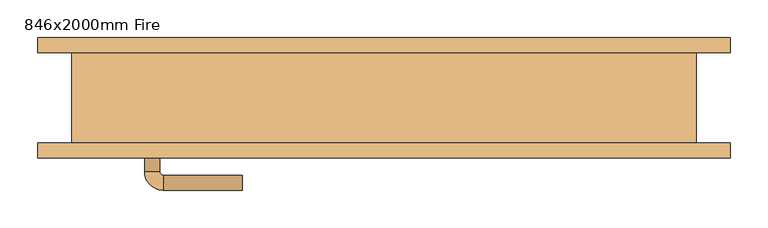
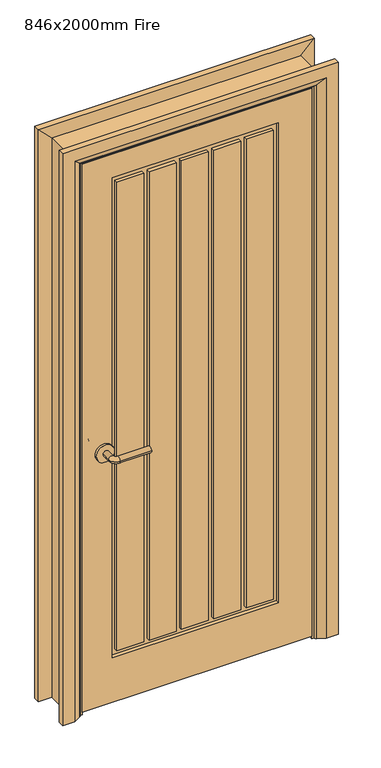
"""IFC4 building model written with IfcOpenShell, lengths in millimetres: door geometry, 846x2000mm Fire."""

from ifc_helpers import new_model, si_unit, point, frame, frame_2d, origin, place, context, project, spatial, polyline, circle_curve, ellipse_curve, trimmed, segment, composite_curve, outline, extrude, faceted_brep, source, transform, mapped, element, save
from ifc_brep_helpers import plane_surface, cylinder_surface, revolved_surface, advanced_brep


def door_846x2000mm_fire_3f507add(model_context):
    return source(origin(), model_context, "Body", "SolidModel", [
        advanced_brep(
        [(-318.0, -17.0, 900.0), (-298.0, -17.0, 900.0), (-318.0, 13.0, 900.0), (-298.0, 13.0, 900.0), (-293.0, 18.0, 900.0), (-293.0, 38.0, 900.0), (-188.0, 38.0, 900.0), (-188.0, 18.0, 900.0)],
        [
            (0, 1, circle_curve(frame((-308.0, -17.0, 900.0), z_axis=(0.0, -1.0, 0.0), x_axis=(1.0, 0.0, 0.0)), 10.0)),
            (1, 0, circle_curve(frame((-308.0, -17.0, 900.0), z_axis=(0.0, -1.0, 0.0), x_axis=(1.0, 0.0, 0.0)), 10.0)),
            (0, 2),
            (2, 3, circle_curve(frame((-308.0, 13.0, 900.0), z_axis=(0.0, -1.0, 0.0), x_axis=(1.0, 0.0, 0.0)), 10.0)),
            (3, 1),
            (3, 2, circle_curve(frame((-308.0, 13.0, 900.0), z_axis=(0.0, -1.0, 0.0), x_axis=(1.0, 0.0, 0.0)), 10.0)),
            (4, 3, circle_curve(frame((-293.0, 13.0, 900.0), z_axis=(0.0, 0.0, 1.0), x_axis=(-1.0, 0.0, 0.0)), 5.0)),
            (2, 5, circle_curve(frame((-293.0, 13.0, 900.0), z_axis=(0.0, 0.0, -1.0), x_axis=(-1.0, 0.0, 0.0)), 25.0)),
            (5, 4, circle_curve(frame((-293.0, 28.0, 900.0), z_axis=(-1.0, 0.0, 0.0), x_axis=(0.0, -1.0, 0.0)), 10.0)),
            (4, 5, circle_curve(frame((-293.0, 28.0, 900.0), z_axis=(-1.0, 0.0, 0.0), x_axis=(0.0, -1.0, 0.0)), 10.0)),
            (6, 7, circle_curve(frame((-188.0, 28.0, 900.0), z_axis=(1.0, 0.0, 0.0), x_axis=(0.0, -1.0, 0.0)), 10.0)),
            (7, 6, circle_curve(frame((-188.0, 28.0, 900.0), z_axis=(1.0, 0.0, 0.0), x_axis=(0.0, -1.0, 0.0)), 10.0)),
            (5, 6),
            (7, 4),
        ],
        [
            plane_surface(frame((-308.0, -17.0, 900.0), z_axis=(0.0, -1.0, 0.0), x_axis=(0.0, 0.0, 1.0))),
            cylinder_surface(frame((-308.0, -17.0, 900.0), z_axis=(0.0, -1.0, 0.0), x_axis=(1.0, 0.0, 0.0)), 10.0),
            revolved_surface(trimmed(ellipse_curve(frame((-308.0, 13.0, 900.0), z_axis=(0.0, -1.0, 0.0), x_axis=(1.0, 0.0, 0.0)), 10.0, 10.0), [point((-318.0, 13.0, 900.0))], [point((-298.0, 13.0, 900.0))], True, "CARTESIAN"), (-293.0, 13.0, 900.0), (0.0, 0.0, -1.0)),
            revolved_surface(trimmed(ellipse_curve(frame((-308.0, 13.0, 900.0), z_axis=(0.0, -1.0, 0.0), x_axis=(1.0, 0.0, 0.0)), 10.0, 10.0), [point((-298.0, 13.0, 900.0))], [point((-318.0, 13.0, 900.0))], True, "CARTESIAN"), (-293.0, 13.0, 900.0), (0.0, 0.0, -1.0)),
            plane_surface(frame((-188.0, 28.0, 900.0), z_axis=(1.0, 0.0, 0.0), x_axis=(0.0, 0.0, 1.0))),
            cylinder_surface(frame((-293.0, 28.0, 900.0), z_axis=(-1.0, 0.0, 0.0), x_axis=(0.0, -1.0, 0.0)), 10.0),
        ],
        [
            (0, [[1, 2]]),
            (1, [[-1, 3, 4, 5]]),
            (1, [[-2, -5, 6, -3]]),
            (2, [[7, -4, 8, 9]]),
            (3, [[-8, -6, -7, 10]]),
            (4, [[11, 12]]),
            (5, [[-9, 13, -12, 14]]),
            (5, [[-10, -14, -11, -13]]),
        ],
    ),
        extrude(outline(composite_curve([segment(trimmed(circle_curve(frame_2d((900.0, -310.5)), 30.0), [point((900.0, -340.5))], [point((900.0, -280.5))], False, "CARTESIAN"), True, "CONTINUOUS"), segment(trimmed(circle_curve(frame_2d((900.0, -310.5)), 30.0), [point((900.0, -280.5))], [point((900.0, -340.5))], False, "CARTESIAN"), True, "CONTINUOUS")], self_intersect=False)), frame((0.0, -25.0, 0.0), z_axis=(0.0, 1.0, 0.0), x_axis=(0.0, 0.0, 1.0)), (0.0, 0.0, 1.0), 8.0),
        advanced_brep(
        [(-318.0, -68.0, 900.0), (-298.0, -68.0, 900.0), (-298.0, -98.0, 900.0), (-318.0, -98.0, 900.0), (-293.0, -103.0, 900.0), (-293.0, -123.0, 900.0), (-188.0, -123.0, 900.0), (-188.0, -103.0, 900.0)],
        [
            (0, 1, circle_curve(frame((-308.0, -68.0, 900.0), z_axis=(0.0, 1.0, 0.0), x_axis=(1.0, 0.0, 0.0)), 10.0)),
            (1, 0, circle_curve(frame((-308.0, -68.0, 900.0), z_axis=(0.0, 1.0, 0.0), x_axis=(1.0, 0.0, 0.0)), 10.0)),
            (1, 2),
            (2, 3, circle_curve(frame((-308.0, -98.0, 900.0), z_axis=(0.0, 1.0, 0.0), x_axis=(1.0, 0.0, 0.0)), 10.0)),
            (3, 0),
            (3, 2, circle_curve(frame((-308.0, -98.0, 900.0), z_axis=(0.0, 1.0, 0.0), x_axis=(1.0, 0.0, 0.0)), 10.0)),
            (4, 5, circle_curve(frame((-293.0, -113.0, 900.0), z_axis=(-1.0, 0.0, 0.0), x_axis=(0.0, 1.0, 0.0)), 10.0)),
            (5, 3, circle_curve(frame((-293.0, -98.0, 900.0), z_axis=(0.0, 0.0, -1.0), x_axis=(-1.0, 0.0, 0.0)), 25.0)),
            (2, 4, circle_curve(frame((-293.0, -98.0, 900.0), z_axis=(0.0, 0.0, 1.0), x_axis=(-1.0, 0.0, 0.0)), 5.0)),
            (5, 4, circle_curve(frame((-293.0, -113.0, 900.0), z_axis=(-1.0, 0.0, 0.0), x_axis=(0.0, 1.0, 0.0)), 10.0)),
            (6, 7, circle_curve(frame((-188.0, -113.0, 900.0), z_axis=(1.0, 0.0, 0.0), x_axis=(0.0, 1.0, 0.0)), 10.0)),
            (7, 6, circle_curve(frame((-188.0, -113.0, 900.0), z_axis=(1.0, 0.0, 0.0), x_axis=(0.0, 1.0, 0.0)), 10.0)),
            (4, 7),
            (6, 5),
        ],
        [
            plane_surface(frame((-308.0, -68.0, 900.0), z_axis=(0.0, 1.0, 0.0), x_axis=(0.0, 0.0, 1.0))),
            cylinder_surface(frame((-308.0, -68.0, 900.0), z_axis=(0.0, 1.0, 0.0), x_axis=(1.0, 0.0, 0.0)), 10.0),
            revolved_surface(trimmed(ellipse_curve(frame((-308.0, -98.0, 900.0), z_axis=(0.0, -1.0, 0.0), x_axis=(1.0, 0.0, 0.0)), 10.0, 10.0), [point((-318.0, -98.0, 900.0))], [point((-298.0, -98.0, 900.0))], True, "CARTESIAN"), (-293.0, -98.0, 900.0), (0.0, 0.0, -1.0)),
            revolved_surface(trimmed(ellipse_curve(frame((-308.0, -98.0, 900.0), z_axis=(0.0, -1.0, 0.0), x_axis=(1.0, 0.0, 0.0)), 10.0, 10.0), [point((-298.0, -98.0, 900.0))], [point((-318.0, -98.0, 900.0))], True, "CARTESIAN"), (-293.0, -98.0, 900.0), (0.0, 0.0, -1.0)),
            plane_surface(frame((-188.0, -113.0, 900.0), z_axis=(1.0, 0.0, 0.0), x_axis=(0.0, 0.0, 1.0))),
            cylinder_surface(frame((-293.0, -113.0, 900.0), z_axis=(-1.0, 0.0, 0.0), x_axis=(0.0, 1.0, 0.0)), 10.0),
        ],
        [
            (0, [[1, 2]]),
            (1, [[3, 4, 5, -2]]),
            (1, [[-5, 6, -3, -1]]),
            (2, [[7, 8, -4, 9]]),
            (3, [[10, -9, -6, -8]]),
            (4, [[11, 12]]),
            (5, [[13, -11, 14, -7]]),
            (5, [[-14, -12, -13, -10]]),
        ],
    ),
        extrude(outline(composite_curve([segment(trimmed(circle_curve(frame_2d((900.0, -310.5)), 30.0), [point((900.0, -340.5))], [point((900.0, -280.5))], False, "CARTESIAN"), True, "CONTINUOUS"), segment(trimmed(circle_curve(frame_2d((900.0, -310.5)), 30.0), [point((900.0, -280.5))], [point((900.0, -340.5))], False, "CARTESIAN"), True, "CONTINUOUS")], self_intersect=False)), frame((0.0, -68.0, 0.0), z_axis=(0.0, 1.0, 0.0), x_axis=(0.0, 0.0, 1.0)), (0.0, 0.0, 1.0), 8.0),
        extrude(outline(polyline([(1941.0, -383.0), (8.0, -383.0), (8.0, 383.0), (1941.0, 383.0), (1941.0, -383.0)]), holes=[polyline([(1858.9867055, 271.9976627), (165.9867055, 271.9976627), (165.9867055, -282.7079267), (1858.9867055, -282.7079267), (1858.9867055, 271.9976627)])]), frame((0.0, -60.0, 0.0), z_axis=(0.0, 1.0, 0.0), x_axis=(0.0, 0.0, 1.0)), (0.0, 0.0, 1.0), 35.0),
        extrude(outline(polyline([(-177.7079267, -25.0), (-177.7079267, -60.0), (-267.7079267, -60.0), (-267.7079267, -25.0), (-177.7079267, -25.0)])), frame((0.0, 0.0, 184.7837756), z_axis=(0.0, 0.0, 1.0), x_axis=(1.0, 0.0, 0.0)), (0.0, 0.0, 1.0), 1653.0),
        extrude(outline(polyline([(254.0565448, -25.0), (254.0565448, -60.0), (164.0565448, -60.0), (164.0565448, -25.0), (254.0565448, -25.0)])), frame((0.0, 0.0, 184.7837756), z_axis=(0.0, 0.0, 1.0), x_axis=(1.0, 0.0, 0.0)), (0.0, 0.0, 1.0), 1653.0),
        extrude(outline(polyline([(38.174309, -25.0), (38.174309, -60.0), (-51.825691, -60.0), (-51.825691, -25.0), (38.174309, -25.0)])), frame((0.0, 0.0, 184.7837756), z_axis=(0.0, 0.0, 1.0), x_axis=(1.0, 0.0, 0.0)), (0.0, 0.0, 1.0), 1653.0),
        extrude(outline(polyline([(-69.7668089, -25.0), (-69.7668089, -60.0), (-159.7668089, -60.0), (-159.7668089, -25.0), (-69.7668089, -25.0)])), frame((0.0, 0.0, 184.7837756), z_axis=(0.0, 0.0, 1.0), x_axis=(1.0, 0.0, 0.0)), (0.0, 0.0, 1.0), 1653.0),
        extrude(outline(polyline([(146.1154269, -25.0), (146.1154269, -60.0), (56.1154269, -60.0), (56.1154269, -25.0), (146.1154269, -25.0)])), frame((0.0, 0.0, 184.7837756), z_axis=(0.0, 0.0, 1.0), x_axis=(1.0, 0.0, 0.0)), (0.0, 0.0, 1.0), 1653.0),
        advanced_brep(
        [(460.0, -80.0, 0.0), (420.0, -80.0, 0.0), (394.0, -66.0, 0.0), (390.0, -60.0, 0.0), (460.0, -60.0, 0.0), (460.0, -60.0, 2018.0), (460.0, -80.0, 2018.0), (390.0, -60.0, 1948.0), (-390.0, -60.0, 1948.0), (-390.0, -60.0, 0.0), (-460.0, -60.0, 0.0), (-460.0, -60.0, 2018.0), (394.0, -66.0, 1952.0), (420.0, -80.0, 1978.0), (-460.0, -80.0, 2018.0), (-460.0, -80.0, 0.0), (-420.0, -80.0, 0.0), (-420.0, -80.0, 1978.0), (-394.0, -66.0, 0.0), (-394.0, -66.0, 1952.0)],
        [
            (0, 1),
            (1, 2),
            (2, 3, circle_curve(frame((398.0, -59.0, 0.0), z_axis=(0.0, 0.0, -1.0), x_axis=(1.0, 0.0, 0.0)), 8.0622577)),
            (3, 4),
            (4, 0),
            (4, 5),
            (5, 6),
            (6, 0),
            (3, 7),
            (7, 8),
            (8, 9),
            (9, 10),
            (10, 11),
            (11, 5),
            (2, 12),
            (12, 7, ellipse_curve(frame((398.0, -59.0, 1956.0), z_axis=(0.7071067811865475, 0.0, -0.7071067811865475), x_axis=(-0.7071067811865474, 0.0, -0.7071067811865476)), 11.4017543, 8.0622577)),
            (1, 13),
            (13, 12),
            (6, 14),
            (14, 15),
            (15, 16),
            (16, 17),
            (17, 13),
            (10, 15),
            (14, 11),
            (9, 18, circle_curve(frame((-398.0, -59.0, 0.0), z_axis=(0.0, 0.0, -1.0), x_axis=(-1.0, 0.0, 0.0)), 8.0622577)),
            (18, 16),
            (19, 18),
            (8, 19, ellipse_curve(frame((-398.0, -59.0, 1956.0), z_axis=(-0.7071067811865475, 0.0, -0.7071067811865475), x_axis=(-0.7071067811865474, 0.0, 0.7071067811865476)), 11.4017543, 8.0622577)),
            (19, 17),
            (12, 19),
        ],
        [
            plane_surface(frame((390.0, -60.0, 0.0), z_axis=(0.0, 0.0, -1.0), x_axis=(0.0, 1.0, 0.0))),
            plane_surface(frame((460.0, -80.0, 0.0), z_axis=(1.0, 0.0, 0.0), x_axis=(0.0, 0.0, 1.0))),
            plane_surface(frame((460.0, -60.0, 0.0), z_axis=(0.0, 1.0, 0.0), x_axis=(0.0, 0.0, 1.0))),
            cylinder_surface(frame((398.0, -59.0, 0.0), z_axis=(0.0, 0.0, -1.0), x_axis=(1.0, 0.0, 0.0)), 8.0622577),
            plane_surface(frame((394.0, -66.0, 0.0), z_axis=(-0.4740998230350126, -0.880471099922178, 0.0), x_axis=(0.0, 0.0, 1.0))),
            plane_surface(frame((420.0, -80.0, 0.0), z_axis=(0.0, -1.0, 0.0), x_axis=(0.0, 0.0, 1.0))),
            plane_surface(frame((-460.0, -80.0, 2018.0), z_axis=(-1.0, 0.0, 0.0), x_axis=(0.0, 0.0, -1.0))),
            plane_surface(frame((-390.0, -60.0, 0.0), z_axis=(0.0, 0.0, -1.0), x_axis=(0.0, 1.0, 0.0))),
            cylinder_surface(frame((-398.0, -59.0, 1948.0), z_axis=(0.0, 0.0, 1.0), x_axis=(-1.0, 0.0, 0.0)), 8.0622577),
            plane_surface(frame((-394.0, -66.0, 1952.0), z_axis=(0.47409982303501824, -0.8804710999221749, 0.0), x_axis=(0.0, 0.0, -1.0))),
            plane_surface(frame((460.0, -80.0, 2018.0), z_axis=(0.0, 0.0, 1.0), x_axis=(-1.0, 0.0, 0.0))),
            cylinder_surface(frame((390.0, -59.0, 1956.0), z_axis=(1.0, 0.0, 0.0), x_axis=(0.0, 0.0, 1.0)), 8.0622577),
            plane_surface(frame((394.0, -66.0, 1952.0), z_axis=(0.0, -0.8804710999221764, -0.4740998230350154), x_axis=(-1.0, 0.0, 0.0))),
        ],
        [
            (0, [[1, 2, 3, 4, 5]]),
            (1, [[6, 7, 8, -5]]),
            (2, [[9, 10, 11, 12, 13, 14, -6, -4]]),
            (3, [[15, 16, -9, -3]]),
            (4, [[17, 18, -15, -2]]),
            (5, [[-8, 19, 20, 21, 22, 23, -17, -1]]),
            (6, [[-13, 24, -20, 25]]),
            (7, [[-24, -12, 26, 27, -21]]),
            (8, [[28, -26, -11, 29]]),
            (9, [[-22, -27, -28, 30]]),
            (10, [[-14, -25, -19, -7]]),
            (11, [[31, -29, -10, -16]]),
            (12, [[-23, -30, -31, -18]]),
        ],
    ),
        extrude(outline(polyline([(0.0, -366.0), (1924.0, -366.0), (1924.0, 366.0), (0.0, 366.0), (0.0, 385.0), (1943.0, 385.0), (1943.0, -385.0), (0.0, -385.0), (0.0, -366.0)])), frame((0.0, -23.0, 0.0), z_axis=(0.0, 1.0, 0.0), x_axis=(0.0, 0.0, 1.0)), (0.0, 0.0, 1.0), 32.0),
        advanced_brep(
        [(-460.0, 80.0, 0.0), (-420.0, 80.0, 0.0), (-394.0, 66.0, 0.0), (-390.0, 60.0, 0.0), (-460.0, 60.0, 0.0), (-460.0, 60.0, 2018.0), (-460.0, 80.0, 2018.0), (-390.0, 60.0, 1948.0), (-394.0, 66.0, 1952.0), (-420.0, 80.0, 1978.0), (460.0, 80.0, 0.0), (460.0, 60.0, 0.0), (390.0, 60.0, 0.0), (394.0, 66.0, 0.0), (420.0, 80.0, 0.0), (460.0, 80.0, 2018.0), (420.0, 80.0, 1978.0), (394.0, 66.0, 1952.0), (390.0, 60.0, 1948.0), (460.0, 60.0, 2018.0)],
        [
            (0, 1),
            (1, 2),
            (2, 3, circle_curve(frame((-398.0, 59.0, 0.0), z_axis=(0.0, 0.0, -1.0), x_axis=(-1.0, 0.0, 0.0)), 8.0622577)),
            (3, 4),
            (4, 0),
            (4, 5),
            (5, 6),
            (6, 0),
            (3, 7),
            (7, 5),
            (2, 8),
            (8, 7, ellipse_curve(frame((-398.0, 59.0, 1956.0), z_axis=(-0.7071067811865475, 0.0, -0.7071067811865475), x_axis=(0.7071067811865474, 0.0, -0.7071067811865476)), 11.4017543, 8.0622577)),
            (1, 9),
            (9, 8),
            (6, 9),
            (10, 11),
            (11, 12),
            (12, 13, circle_curve(frame((398.0, 59.0, 0.0), z_axis=(0.0, 0.0, -1.0), x_axis=(1.0, 0.0, 0.0)), 8.0622577)),
            (13, 14),
            (14, 10),
            (15, 10),
            (14, 16),
            (16, 15),
            (13, 17),
            (17, 16),
            (12, 18),
            (18, 17, ellipse_curve(frame((398.0, 59.0, 1956.0), z_axis=(0.7071067811865475, 0.0, -0.7071067811865475), x_axis=(0.7071067811865474, 0.0, 0.7071067811865476)), 11.4017543, 8.0622577)),
            (11, 19),
            (19, 18),
            (15, 19),
            (5, 19),
            (15, 6),
            (7, 18),
            (8, 17),
            (9, 16),
        ],
        [
            plane_surface(frame((-390.0, 132.8010989, 0.0), z_axis=(0.0, 0.0, -1.0), x_axis=(1.0, 0.0, 0.0))),
            plane_surface(frame((-460.0, 80.0, 0.0), z_axis=(-1.0, 0.0, 0.0), x_axis=(0.0, 0.0, 1.0))),
            plane_surface(frame((-460.0, 60.0, 0.0), z_axis=(0.0, -1.0, 0.0), x_axis=(0.0, 0.0, 1.0))),
            cylinder_surface(frame((-398.0, 59.0, 0.0), z_axis=(0.0, 0.0, -1.0), x_axis=(-1.0, 0.0, 0.0)), 8.0622577),
            plane_surface(frame((-394.0, 66.0, 0.0), z_axis=(0.4740998230350183, 0.8804710999221749, 0.0), x_axis=(0.0, 0.0, 1.0))),
            plane_surface(frame((-420.0, 80.0, 0.0), z_axis=(0.0, 1.0, 0.0), x_axis=(0.0, 0.0, 1.0))),
            plane_surface(frame((390.0, 132.8010989, 0.0), z_axis=(0.0, 0.0, -1.0), x_axis=(-1.0, 0.0, 0.0))),
            plane_surface(frame((420.0, 80.0, 1978.0), z_axis=(0.0, 1.0, 0.0), x_axis=(0.0, 0.0, -1.0))),
            plane_surface(frame((394.0, 66.0, 1952.0), z_axis=(-0.4740998230350183, 0.8804710999221749, 0.0), x_axis=(0.0, 0.0, -1.0))),
            cylinder_surface(frame((398.0, 59.0, 1948.0), z_axis=(0.0, 0.0, 1.0), x_axis=(1.0, 0.0, 0.0)), 8.0622577),
            plane_surface(frame((460.0, 60.0, 2018.0), z_axis=(0.0, -1.0, 0.0), x_axis=(0.0, 0.0, -1.0))),
            plane_surface(frame((460.0, 80.0, 2018.0), z_axis=(1.0, 0.0, 0.0), x_axis=(0.0, 0.0, -1.0))),
            plane_surface(frame((-460.0, 80.0, 2018.0), z_axis=(0.0, 0.0, 1.0), x_axis=(1.0, 0.0, 0.0))),
            plane_surface(frame((-460.0, 60.0, 2018.0), z_axis=(0.0, -1.0, 0.0), x_axis=(1.0, 0.0, 0.0))),
            cylinder_surface(frame((-390.0, 59.0, 1956.0), z_axis=(-1.0, 0.0, 0.0), x_axis=(0.0, 0.0, 1.0)), 8.0622577),
            plane_surface(frame((-394.0, 66.0, 1952.0), z_axis=(0.0, 0.8804710999221749, -0.4740998230350183), x_axis=(1.0, 0.0, 0.0))),
            plane_surface(frame((-420.0, 80.0, 1978.0), z_axis=(0.0, 1.0, 0.0), x_axis=(1.0, 0.0, 0.0))),
        ],
        [
            (0, [[1, 2, 3, 4, 5]]),
            (1, [[6, 7, 8, -5]]),
            (2, [[9, 10, -6, -4]]),
            (3, [[11, 12, -9, -3]]),
            (4, [[13, 14, -11, -2]]),
            (5, [[-8, 15, -13, -1]]),
            (6, [[16, 17, 18, 19, 20]]),
            (7, [[21, -20, 22, 23]]),
            (8, [[-22, -19, 24, 25]]),
            (9, [[-24, -18, 26, 27]]),
            (10, [[-26, -17, 28, 29]]),
            (11, [[-28, -16, -21, 30]]),
            (12, [[31, -30, 32, -7]]),
            (13, [[33, -29, -31, -10]]),
            (14, [[34, -27, -33, -12]]),
            (15, [[35, -25, -34, -14]]),
            (16, [[-32, -23, -35, -15]]),
        ],
    ),
        faceted_brep([(-383.0, -60.0, 0.0), (-415.0, -60.0, 0.0), (-415.0, 60.0, 0.0), (-383.0, 60.0, 0.0), (-383.0, 60.0, 1941.0), (-383.0, -60.0, 1941.0), (-415.0, 60.0, 1973.0), (-415.0, -60.0, 1973.0), (383.0, -60.0, 0.0), (383.0, 60.0, 0.0), (415.0, 60.0, 0.0), (415.0, -60.0, 0.0), (383.0, -60.0, 1941.0), (415.0, -60.0, 1973.0), (415.0, 60.0, 1973.0), (383.0, 60.0, 1941.0)], [[[0, 1, 2, 3]], [[3, 4, 5, 0]], [[2, 6, 4, 3]], [[1, 7, 6, 2]], [[0, 5, 7, 1]], [[8, 9, 10, 11]], [[12, 8, 11, 13]], [[13, 11, 10, 14]], [[14, 10, 9, 15]], [[15, 9, 8, 12]], [[4, 15, 12, 5]], [[6, 14, 15, 4]], [[7, 13, 14, 6]], [[5, 12, 13, 7]]]),
        extrude(outline(polyline([(271.9976627, -31.0), (271.9976627, -48.0), (-282.7079267, -48.0), (-282.7079267, -31.0), (271.9976627, -31.0)])), frame((0.0, 0.0, 165.9867055), z_axis=(0.0, 0.0, 1.0), x_axis=(1.0, 0.0, 0.0)), (0.0, 0.0, 1.0), 1693.0),
    ])


if __name__ == "__main__":
    model = new_model("IFC4")
    model_context = context("Model", 3, world=origin())
    ifc_project = project(units=[si_unit("LENGTHUNIT", "METRE", prefix="MILLI")], contexts=[model_context])
    site = spatial("IfcSite", under=ifc_project)
    building = spatial("IfcBuilding", under=site)
    placement = place(None, origin())
    door_846x2000mm_fire_shape = door_846x2000mm_fire_3f507add(model_context)
    element("IfcDoor", 1, ObjectType="846x2000mm Fire", at=placement, inside=building, context=model_context, shape_type="MappedRepresentation", body=[
        mapped(door_846x2000mm_fire_shape, transform((0.0, 0.0, 0.0), x_axis=(1.0, 0.0, 0.0), y_axis=(0.0, 1.0, 0.0), z_axis=(0.0, 0.0, 1.0))),
    ])
    save(model, "model.ifc")
